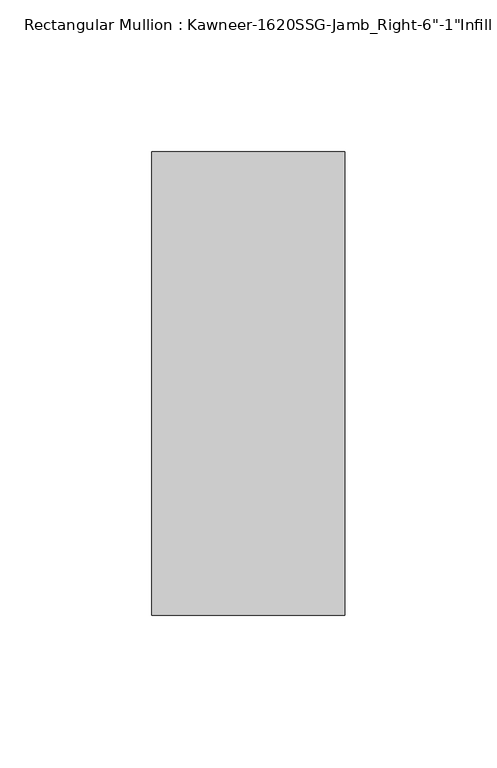
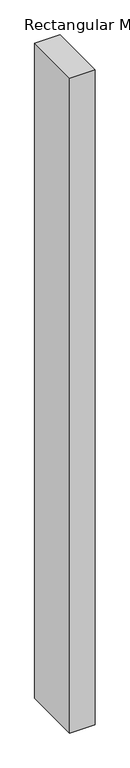
"""IFC4 building model written with IfcOpenShell, lengths in millimetres: member geometry."""

import ifcopenshell
import ifcopenshell.guid

model = None  # the IFC model being written
_history = None  # IfcOwnerHistory: only IFC2X3 demands one
_inside = {}  # id of a spatial element -> (the spatial element, [elements in it])
_under = {}  # id of a project, library or spatial element -> (it, [spatial elements below it])
_declared = {}  # id of a project -> (the project, [libraries it declares])
_typed = {}  # id of a type object -> (the type object, [elements of that type])
_made_of = {}  # id of a material, layer set ... -> (it, [elements and type objects made of it])


def new_model(schema):
    """Start an empty IFC model of exactly this schema.

    Asked for "IFC4X3", IfcOpenShell would pick the latest addendum, in which some entities
    have other attributes; the version numbers below select the first issue.
    IFC2X3 requires an IfcOwnerHistory on every rooted entity: one is made here for all.
    """
    global model, _history
    if schema == "IFC4X3":
        model = ifcopenshell.file(schema_version=(4, 3, 0, 0))
    else:
        model = ifcopenshell.file(schema=schema)
    _inside.clear()
    _under.clear()
    _declared.clear()
    _typed.clear()
    _made_of.clear()
    _history = None
    if model.schema == "IFC2X3":
        org = make("IfcOrganization", Name="unknown")
        user = make(
            "IfcPersonAndOrganization",
            ThePerson=make("IfcPerson", FamilyName="unknown"),
            TheOrganization=org,
        )
        app = make(
            "IfcApplication",
            ApplicationDeveloper=org,
            Version="unknown",
            ApplicationFullName="unknown",
            ApplicationIdentifier="unknown",
        )
        _history = make(
            "IfcOwnerHistory",
            OwningUser=user,
            OwningApplication=app,
            ChangeAction="ADDED",
            CreationDate=0,
        )
    return model


def make(cls, **values):
    """One entity of the class cls with the attributes given. An attribute that is None is left unset."""
    return model.create_entity(
        cls, **{name: value for name, value in values.items() if value is not None}
    )


def rooted(cls, **values):
    """An entity with a GlobalId (a new one), such as an element, a storey or a relation."""
    return make(cls, GlobalId=ifcopenshell.guid.new(), OwnerHistory=_history, **values)


def si_unit(unit_type, name, prefix=None):
    """IfcSIUnit, for example si_unit("LENGTHUNIT", "METRE", prefix="MILLI")."""
    return make("IfcSIUnit", UnitType=unit_type, Prefix=prefix, Name=name)


def assignment(units):
    """IfcUnitAssignment: the units of a project."""
    return None if units is None else make("IfcUnitAssignment", Units=units)


def point(xyz):
    """IfcCartesianPoint."""
    return None if xyz is None else make("IfcCartesianPoint", Coordinates=xyz)


def direction(xyz):
    """IfcDirection."""
    return None if xyz is None else make("IfcDirection", DirectionRatios=xyz)


def frame(location, z_axis=None, x_axis=None):
    """IfcAxis2Placement3D, a coordinate frame: its origin and axes. An axis left out is left unset."""
    return make(
        "IfcAxis2Placement3D",
        Location=point(location),
        Axis=direction(z_axis),
        RefDirection=direction(x_axis),
    )


def origin():
    """The frame at (0, 0, 0) with its axes left unset."""
    return frame((0.0, 0.0, 0.0))


def place(relative_to, where):
    """IfcLocalPlacement: puts the frame where relative to a parent placement (None: the world)."""
    return make(
        "IfcLocalPlacement", PlacementRelTo=relative_to, RelativePlacement=where
    )


def context(
    kind, dimensions, precision=None, world=None, true_north=None, identifier=None
):
    """IfcGeometricRepresentationContext, for example the 3D "Model" context."""
    return make(
        "IfcGeometricRepresentationContext",
        ContextIdentifier=identifier,
        ContextType=kind,
        CoordinateSpaceDimension=dimensions,
        Precision=precision,
        WorldCoordinateSystem=world,
        TrueNorth=true_north,
    )


def project(units=None, contexts=None):
    """IfcProject with its units and contexts."""
    return rooted(
        "IfcProject",
        Name="project",
        RepresentationContexts=contexts,
        UnitsInContext=assignment(units),
    )


def spatial(cls, under=None, at=None, **own):
    """A site, building, storey or space (cls), placed at a placement, below another one or the project."""
    s = rooted(cls, ObjectPlacement=at, **own)
    if under is not None:
        _under.setdefault(under.id(), (under, []))[1].append(s)
    return s


def polyline(points):
    """IfcPolyline through the points."""
    return make("IfcPolyline", Points=[point(p) for p in points])


def outline(outer, holes=None, kind="AREA"):
    """IfcArbitraryClosedProfileDef: a profile drawn as a closed curve; with holes, ...WithVoids."""
    if holes is None:
        return make("IfcArbitraryClosedProfileDef", ProfileType=kind, OuterCurve=outer)
    return make(
        "IfcArbitraryProfileDefWithVoids",
        ProfileType=kind,
        OuterCurve=outer,
        InnerCurves=holes,
    )


def extrude(swept, where, along, depth):
    """IfcExtrudedAreaSolid: the profile swept, set in the frame where, extruded along a direction by depth."""
    return make(
        "IfcExtrudedAreaSolid",
        SweptArea=swept,
        Position=where,
        ExtrudedDirection=direction(along),
        Depth=depth,
    )


def shape(context_of_items, identifier, shape_type, items):
    """IfcShapeRepresentation: the items that make up one representation, for example the "Body"."""
    return make(
        "IfcShapeRepresentation",
        ContextOfItems=context_of_items,
        RepresentationIdentifier=identifier,
        RepresentationType=shape_type,
        Items=items,
    )


def source(mapping_origin, context_of_items, identifier, shape_type, items):
    """IfcRepresentationMap: a shape defined once, which mapped items show again and again."""
    return make(
        "IfcRepresentationMap",
        MappingOrigin=mapping_origin,
        MappedRepresentation=shape(context_of_items, identifier, shape_type, items),
    )


def transform(
    local_origin,
    x_axis=None,
    y_axis=None,
    z_axis=None,
    scale=None,
    scale2=None,
    scale3=None,
    uniform=True,
):
    """IfcCartesianTransformationOperator3D, or its non-uniform kind. x_axis, y_axis, z_axis: its Axis1, 2, 3."""
    if uniform:
        return make(
            "IfcCartesianTransformationOperator3D",
            Axis1=direction(x_axis),
            Axis2=direction(y_axis),
            LocalOrigin=point(local_origin),
            Scale=scale,
            Axis3=direction(z_axis),
        )
    return make(
        "IfcCartesianTransformationOperator3DnonUniform",
        Axis1=direction(x_axis),
        Axis2=direction(y_axis),
        LocalOrigin=point(local_origin),
        Scale=scale,
        Axis3=direction(z_axis),
        Scale2=scale2,
        Scale3=scale3,
    )


def mapped(mapping_source, mapping_target):
    """IfcMappedItem: shows the shape of a source again, moved by a transform."""
    return make(
        "IfcMappedItem", MappingSource=mapping_source, MappingTarget=mapping_target
    )


def made_of(thing, what):
    """Note that an element or type object is made of a material, layer set ...; save() writes the relation."""
    if what is not None:
        _made_of.setdefault(what.id(), (what, []))[1].append(thing)
    return thing


def element(
    cls,
    number,
    at=None,
    inside=None,
    cuts=None,
    type_object=None,
    material=None,
    context=None,
    identifier="Body",
    shape_type=None,
    held_by="IfcProductDefinitionShape",
    body=None,
    shapes=None,
    **own,
):
    """One element of the class cls, such as IfcWall. Its Tag is "e" and its number.

    at: its placement. inside: the storey or other place that contains it. cuts: it is an
    opening in that element (IfcRelVoidsElement). A single representation is given by context,
    identifier, shape_type and body (its items); several are given by shapes. held_by: the class
    of the entity that holds the representations. save() writes the other relations.
    """
    e = rooted(cls, Tag="e%d" % number, ObjectPlacement=at, **own)
    if body is not None:
        shapes = [shape(context, identifier, shape_type, body)]
    if shapes is not None:
        e.Representation = make(held_by, Representations=shapes)
    if inside is not None:
        _inside.setdefault(inside.id(), (inside, []))[1].append(e)
    if cuts is not None:
        rooted(
            "IfcRelVoidsElement", RelatingBuildingElement=cuts, RelatedOpeningElement=e
        )
    if type_object is not None:
        _typed.setdefault(type_object.id(), (type_object, []))[1].append(e)
    return made_of(e, material)


def aggregate(whole, parts):
    """IfcRelAggregates: a whole, such as a stair, and the parts it consists of."""
    return rooted("IfcRelAggregates", RelatingObject=whole, RelatedObjects=parts)


def save(model, path):
    """Write the relations noted so far, then the file.

    IfcRelAggregates (storeys below a building ...), IfcRelContainedInSpatialStructure (elements
    in a storey), IfcRelDefinesByType, IfcRelAssociatesMaterial and IfcRelDeclares: one each for
    every whole, place, type object, material and project.
    """
    for whole, parts in _under.values():
        aggregate(whole, parts)
    for where, things in _inside.values():
        rooted(
            "IfcRelContainedInSpatialStructure",
            RelatedElements=things,
            RelatingStructure=where,
        )
    for kind, things in _typed.values():
        rooted("IfcRelDefinesByType", RelatedObjects=things, RelatingType=kind)
    for what, things in _made_of.values():
        rooted("IfcRelAssociatesMaterial", RelatedObjects=things, RelatingMaterial=what)
    for by, libraries in _declared.values():
        rooted("IfcRelDeclares", RelatingContext=by, RelatedDefinitions=libraries)
    model.write(path)


def member_ff274831(model_context):
    return source(origin(), model_context, "Body", "SweptSolid", [
        extrude(outline(polyline([(-22.225, 38.1), (41.275, 38.1), (41.275, -114.3), (-22.225, -114.3), (-22.225, 38.1)])), frame((0.0, 0.0, -1739.9), z_axis=(0.0, 0.0, 1.0), x_axis=(1.0, 0.0, 0.0)), (0.0, 0.0, 1.0), 1739.9),
    ])


if __name__ == "__main__":
    model = new_model("IFC4")
    model_context = context("Model", 3, world=origin())
    ifc_project = project(units=[si_unit("LENGTHUNIT", "METRE", prefix="MILLI")], contexts=[model_context])
    site = spatial("IfcSite", under=ifc_project)
    building = spatial("IfcBuilding", under=site)
    placement = place(None, origin())
    member_shape = member_ff274831(model_context)
    element("IfcMember", 1, ObjectType="Rectangular Mullion : Kawneer-1620SSG-Jamb_Right-6\"-1\"Infill", at=placement, inside=building, context=model_context, shape_type="MappedRepresentation", body=[
        mapped(member_shape, transform((0.0, 0.0, 0.0), x_axis=(1.0, 0.0, 0.0), y_axis=(0.0, 1.0, 0.0), z_axis=(0.0, 0.0, 1.0))),
    ])
    save(model, "model.ifc")
